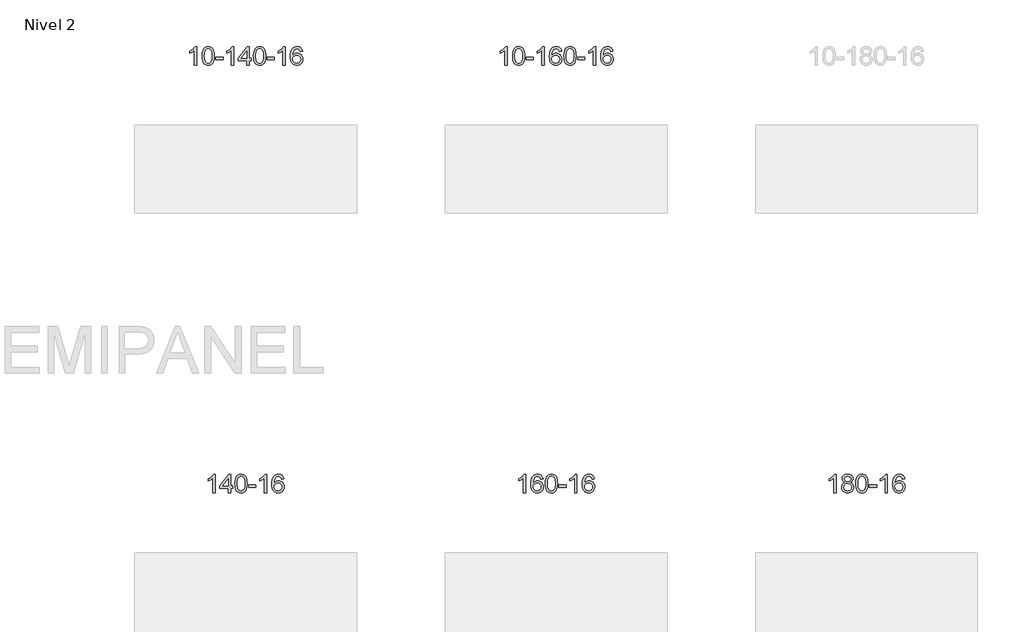
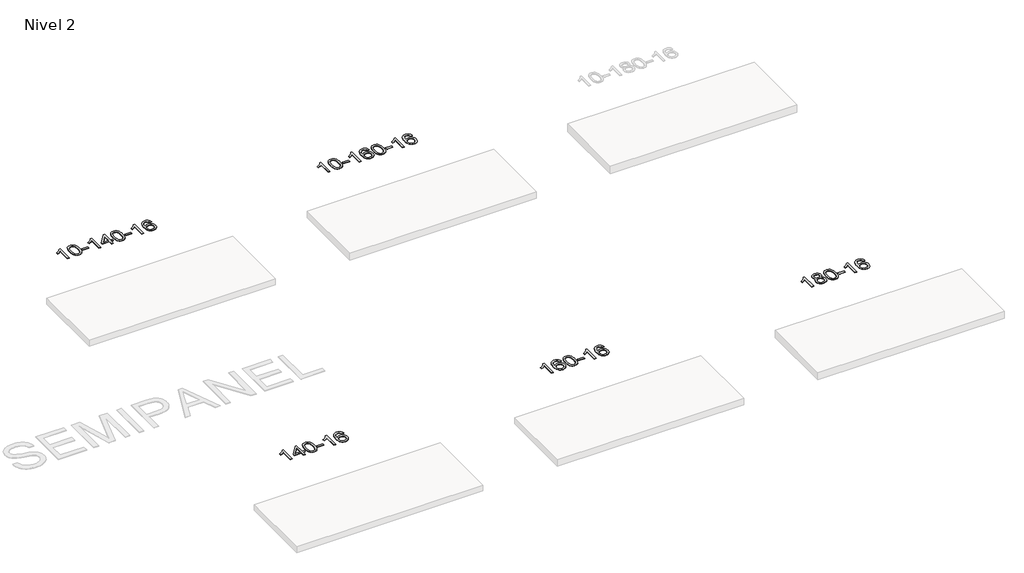
# One storey, part 34 of 51: 5 proxies.
"""IFC4 building model written with IfcOpenShell, lengths in millimetres."""

from ifc_helpers import new_model, si_unit, frame, origin, place, context, project, spatial, polyline, outline, extrude, element, save

model = new_model("IFC4")

# Units and contexts
model_context = context("Model", 3, world=origin())
ifc_project = project(units=[si_unit("LENGTHUNIT", "METRE", prefix="MILLI")], contexts=[model_context])

# Site, building, storey
site = spatial("IfcSite", under=ifc_project)
building = spatial("IfcBuilding", under=site)
storey = spatial("IfcBuildingStorey", under=building, Name="Nivel 2", Elevation=3000.0)

# Proxies
placement = place(None, origin())
element("IfcBuildingElementProxy", 1, Name="Texto de modelo 1", ObjectType="Texto de modelo 1", at=placement, inside=storey, context=model_context, shape_type="SweptSolid", body=[
    extrude(outline(polyline([(31530.5538842, -86347.0667526), (31480.3257291, -86347.0667526), (31480.3257291, -86033.9255983), (31459.3564554, -86050.8849583), (31432.7463244, -86067.8197928), (31379.869419, -86093.179125), (31379.869419, -86045.6978222), (31419.3186316, -86024.2380391), (31453.494869, -85998.7070287), (31480.4360937, -85971.5573374), (31498.1802686, -85945.241512), (31530.5538842, -85945.241512), (31530.5538842, -86347.0667526)])), frame((0.0, 0.0, 3000.0), z_axis=(0.0, 0.0, 1.0), x_axis=(1.0, 0.0, 0.0)), (0.0, 0.0, 1.0), 10.0),
    extrude(outline(polyline([(31649.8457525, -86149.3914939), (31653.5368352, -86085.0734584), (31664.6100833, -86033.7784455), (31682.9551321, -85994.7216404), (31694.8131951, -85979.4882601), (31708.4616171, -85967.118228), (31723.9463834, -85957.5471648), (31741.3134792, -85950.710691), (31781.6946596, -85945.241512), (31812.6457981, -85948.4788736), (31840.3595751, -85958.1909583), (31863.5361408, -85973.9976213), (31880.8756455, -85995.518718), (31893.9722445, -86022.5703074), (31904.4200932, -86054.9684485), (31911.2626983, -86096.1099183), (31913.5435667, -86149.3914939), (31909.8892722, -86213.3416474), (31898.9263887, -86264.5140329), (31880.6917045, -86303.6076263), (31868.8612327, -86318.8869918), (31855.2220077, -86331.3214032), (31839.7188473, -86340.9568458), (31822.2965691, -86347.8393048), (31781.6946596, -86353.345272), (31754.0299335, -86350.9540391), (31729.5044672, -86343.7803401), (31708.1182605, -86331.8241753), (31689.8713136, -86315.0855445), (31672.3601306, -86284.8272504), (31659.8521428, -86247.1254773), (31652.3473501, -86201.9802251), (31649.8457525, -86149.3914939)]), holes=[polyline([(31700.0739076, -86149.293392), (31701.5454356, -86192.9579192), (31705.9600195, -86228.3021819), (31713.3176594, -86255.3261801), (31723.6183553, -86274.0299139), (31736.0772922, -86286.7555652), (31749.9096552, -86295.8453162), (31765.1154443, -86301.2991668), (31781.6946596, -86303.1171169), (31798.2738748, -86301.2930354), (31813.479664, -86295.8207907), (31827.312027, -86286.7003829), (31839.7709639, -86273.931812), (31850.0716598, -86255.1974214), (31857.4292997, -86228.1795545), (31861.8438836, -86192.8782114), (31863.3154116, -86149.293392), (31861.8929345, -86106.7846275), (31857.6255034, -86072.0626985), (31850.5131181, -86045.1276051), (31840.5557788, -86025.9793472), (31828.3053084, -86012.6313622), (31814.3135298, -86003.0970871), (31798.5804432, -85997.3765221), (31781.1060484, -85995.4696671), (31764.6126723, -85997.1496616), (31749.6644005, -86002.1896449), (31736.2612332, -86010.5896171), (31724.4031702, -86022.3495782), (31713.7591178, -86043.1962246), (31706.1562232, -86071.3024091), (31701.5944865, -86106.6681315), (31700.0739076, -86149.293392)])]), frame((0.0, 0.0, 3000.0), z_axis=(0.0, 0.0, 1.0), x_axis=(1.0, 0.0, 0.0)), (0.0, 0.0, 1.0), 10.0),
    extrude(outline(polyline([(31944.9361636, -86227.7748843), (31944.9361636, -86177.5467293), (32101.8991482, -86177.5467293), (32101.8991482, -86227.7748843), (31944.9361636, -86227.7748843)])), frame((0.0, 0.0, 3000.0), z_axis=(0.0, 0.0, 1.0), x_axis=(1.0, 0.0, 0.0)), (0.0, 0.0, 1.0), 10.0),
    extrude(outline(polyline([(32334.2043654, -86347.0667526), (32283.9762103, -86347.0667526), (32283.9762103, -86033.9255983), (32263.0069366, -86050.8849583), (32236.3968056, -86067.8197928), (32183.5199002, -86093.179125), (32183.5199002, -86045.6978222), (32222.9691128, -86024.2380391), (32257.1453502, -85998.7070287), (32284.0865749, -85971.5573374), (32301.8307498, -85945.241512), (32334.2043654, -85945.241512), (32334.2043654, -86347.0667526)])), frame((0.0, 0.0, 3000.0), z_axis=(0.0, 0.0, 1.0), x_axis=(1.0, 0.0, 0.0)), (0.0, 0.0, 1.0), 10.0),
    extrude(outline(polyline([(32616.7377377, -86347.0667526), (32616.7377377, -86252.8889619), (32434.6606756, -86252.8889619), (32434.6606756, -86202.6608068), (32629.2947765, -85951.5200314), (32666.9658928, -85951.5200314), (32666.9658928, -86202.6608068), (32717.1940479, -86202.6608068), (32717.1940479, -86252.8889619), (32666.9658928, -86252.8889619), (32666.9658928, -86347.0667526), (32616.7377377, -86347.0667526)]), holes=[polyline([(32616.7377377, -86202.6608068), (32616.7377377, -86047.4636558), (32496.4648507, -86202.6608068), (32616.7377377, -86202.6608068)])]), frame((0.0, 0.0, 3000.0), z_axis=(0.0, 0.0, 1.0), x_axis=(1.0, 0.0, 0.0)), (0.0, 0.0, 1.0), 10.0),
    extrude(outline(polyline([(32761.1436835, -86149.3914939), (32764.8347662, -86085.0734584), (32775.9080143, -86033.7784455), (32794.2530631, -85994.7216404), (32806.1111261, -85979.4882601), (32819.7595481, -85967.118228), (32835.2443144, -85957.5471648), (32852.6114103, -85950.710691), (32892.9925906, -85945.241512), (32923.9437291, -85948.4788736), (32951.6575061, -85958.1909583), (32974.8340718, -85973.9976213), (32992.1735765, -85995.518718), (33005.2701755, -86022.5703074), (33015.7180242, -86054.9684485), (33022.5606293, -86096.1099183), (33024.8414977, -86149.3914939), (33021.1872032, -86213.3416474), (33010.2243197, -86264.5140329), (32991.9896355, -86303.6076263), (32980.1591637, -86318.8869918), (32966.5199387, -86331.3214032), (32951.0167783, -86340.9568458), (32933.5945001, -86347.8393048), (32892.9925906, -86353.345272), (32865.3278646, -86350.9540391), (32840.8023982, -86343.7803401), (32819.4161916, -86331.8241753), (32801.1692446, -86315.0855445), (32783.6580616, -86284.8272504), (32771.1500738, -86247.1254773), (32763.6452811, -86201.9802251), (32761.1436835, -86149.3914939)]), holes=[polyline([(32811.3718386, -86149.293392), (32812.8433666, -86192.9579192), (32817.2579505, -86228.3021819), (32824.6155904, -86255.3261801), (32834.9162863, -86274.0299139), (32847.3752232, -86286.7555652), (32861.2075862, -86295.8453162), (32876.4133754, -86301.2991668), (32892.9925906, -86303.1171169), (32909.5718059, -86301.2930354), (32924.777595, -86295.8207907), (32938.609958, -86286.7003829), (32951.0688949, -86273.931812), (32961.3695908, -86255.1974214), (32968.7272307, -86228.1795545), (32973.1418146, -86192.8782114), (32974.6133426, -86149.293392), (32973.1908656, -86106.7846275), (32968.9234344, -86072.0626985), (32961.8110492, -86045.1276051), (32951.8537098, -86025.9793472), (32939.6032394, -86012.6313622), (32925.6114609, -86003.0970871), (32909.8783742, -85997.3765221), (32892.4039794, -85995.4696671), (32875.9106033, -85997.1496616), (32860.9623316, -86002.1896449), (32847.5591642, -86010.5896171), (32835.7011012, -86022.3495782), (32825.0570488, -86043.1962246), (32817.4541543, -86071.3024091), (32812.8924175, -86106.6681315), (32811.3718386, -86149.293392)])]), frame((0.0, 0.0, 3000.0), z_axis=(0.0, 0.0, 1.0), x_axis=(1.0, 0.0, 0.0)), (0.0, 0.0, 1.0), 10.0),
    extrude(outline(polyline([(33056.2340946, -86227.7748843), (33056.2340946, -86177.5467293), (33213.1970792, -86177.5467293), (33213.1970792, -86227.7748843), (33056.2340946, -86227.7748843)])), frame((0.0, 0.0, 3000.0), z_axis=(0.0, 0.0, 1.0), x_axis=(1.0, 0.0, 0.0)), (0.0, 0.0, 1.0), 10.0),
    extrude(outline(polyline([(33445.5022964, -86347.0667526), (33395.2741414, -86347.0667526), (33395.2741414, -86033.9255983), (33374.3048676, -86050.8849583), (33347.6947367, -86067.8197928), (33294.8178312, -86093.179125), (33294.8178312, -86045.6978222), (33334.2670438, -86024.2380391), (33368.4432812, -85998.7070287), (33395.384506, -85971.5573374), (33413.1286809, -85945.241512), (33445.5022964, -85945.241512), (33445.5022964, -86347.0667526)])), frame((0.0, 0.0, 3000.0), z_axis=(0.0, 0.0, 1.0), x_axis=(1.0, 0.0, 0.0)), (0.0, 0.0, 1.0), 10.0),
    extrude(outline(polyline([(33822.2134595, -86051.9763416), (33771.9853044, -86058.254861), (33763.8919005, -86033.3615126), (33752.9535425, -86016.3653644), (33730.1693843, -86000.6935914), (33702.6272856, -85995.4696671), (33679.2790416, -85998.5108249), (33657.3042238, -86007.6342984), (33638.4318774, -86026.8500013), (33623.0176218, -86053.3007168), (33612.6065614, -86090.7143157), (33608.7438004, -86142.8186689), (33628.891471, -86119.3110094), (33653.0367927, -86102.7440569), (33679.8308646, -86092.9216076), (33707.9247863, -86089.6474579), (33732.0578452, -86091.8854067), (33754.3269687, -86098.5992531), (33774.7321567, -86109.7889971), (33793.2734092, -86125.4546387), (33808.6815334, -86144.6642103), (33819.6873365, -86166.4857439), (33826.2908183, -86190.9192398), (33828.4919789, -86217.9646978), (33824.3471751, -86253.9312942), (33811.9127636, -86287.2736657), (33792.2188142, -86315.5515284), (33766.2953962, -86336.3245984), (33735.3197322, -86349.0901036), (33700.4690446, -86353.345272), (33670.5265158, -86350.5248434), (33643.4841235, -86342.0635575), (33619.3418676, -86327.9614144), (33598.099748, -86308.2184139), (33580.7817031, -86282.0006904), (33568.411671, -86248.4743779), (33560.9896518, -86207.6394765), (33558.5156454, -86159.495986), (33561.2624976, -86105.521566), (33569.5030543, -86059.4566088), (33583.2373154, -86021.3011145), (33602.465281, -85991.0550832), (33623.3057961, -85971.0116458), (33647.4695118, -85956.6949048), (33674.9564282, -85948.1048602), (33705.7665453, -85945.241512), (33728.9001914, -85947.013477), (33749.8388083, -85952.3293718), (33768.582396, -85961.1891965), (33785.1309544, -85973.5929511), (33799.0368938, -85989.1237027), (33809.8526245, -86007.3645183), (33817.5781464, -86028.3153979), (33822.2134595, -86051.9763416)]), holes=[polyline([(33608.7438004, -86217.1798829), (33611.6500682, -86239.4367436), (33620.3688715, -86260.6880602), (33633.9069289, -86278.9595326), (33651.2709591, -86292.2768608), (33672.2279701, -86300.4070529), (33696.5449699, -86303.1171169), (33729.6911377, -86297.5007852), (33743.6062742, -86290.4803704), (33755.7494457, -86280.6517898), (33765.5994861, -86268.4135821), (33772.6352293, -86254.1642861), (33778.2638238, -86219.6324295), (33772.7088057, -86186.4862617), (33765.765033, -86172.8654309), (33756.0437513, -86161.2127687), (33743.8637916, -86151.877763), (33729.5439849, -86145.2099019), (33694.4848308, -86139.875613), (33661.3877139, -86145.2099019), (33633.7107252, -86161.2127687), (33622.7876956, -86172.7121467), (33614.9855316, -86185.8731251), (33610.3042332, -86200.6957038), (33608.7438004, -86217.1798829)])]), frame((0.0, 0.0, 3000.0), z_axis=(0.0, 0.0, 1.0), x_axis=(1.0, 0.0, 0.0)), (0.0, 0.0, 1.0), 10.0),
])
element("IfcBuildingElementProxy", 2, Name="Texto de modelo 1", ObjectType="Texto de modelo 1", at=placement, inside=storey, context=model_context, shape_type="SweptSolid", body=[
    extrude(outline(polyline([(38245.494419, -86347.0667526), (38195.266264, -86347.0667526), (38195.266264, -86033.9255983), (38174.2969902, -86050.8849583), (38147.6868593, -86067.8197928), (38094.8099538, -86093.179125), (38094.8099538, -86045.6978222), (38134.2591664, -86024.2380391), (38168.4354038, -85998.7070287), (38195.3766286, -85971.5573374), (38213.1208035, -85945.241512), (38245.494419, -85945.241512), (38245.494419, -86347.0667526)])), frame((0.0, 0.0, 3000.0), z_axis=(0.0, 0.0, 1.0), x_axis=(1.0, 0.0, 0.0)), (0.0, 0.0, 1.0), 10.0),
    extrude(outline(polyline([(38364.7862873, -86149.3914939), (38368.47737, -86085.0734584), (38379.5506181, -86033.7784455), (38397.8956669, -85994.7216404), (38409.7537299, -85979.4882601), (38423.4021519, -85967.118228), (38438.8869182, -85957.5471648), (38456.2540141, -85950.710691), (38496.6351944, -85945.241512), (38527.5863329, -85948.4788736), (38555.3001099, -85958.1909583), (38578.4766756, -85973.9976213), (38595.8161803, -85995.518718), (38608.9127793, -86022.5703074), (38619.360628, -86054.9684485), (38626.2032331, -86096.1099183), (38628.4841015, -86149.3914939), (38624.829807, -86213.3416474), (38613.8669235, -86264.5140329), (38595.6322393, -86303.6076263), (38583.8017675, -86318.8869918), (38570.1625425, -86331.3214032), (38554.6593821, -86340.9568458), (38537.2371039, -86347.8393048), (38496.6351944, -86353.345272), (38468.9704684, -86350.9540391), (38444.445002, -86343.7803401), (38423.0587954, -86331.8241753), (38404.8118484, -86315.0855445), (38387.3006654, -86284.8272504), (38374.7926776, -86247.1254773), (38367.2878849, -86201.9802251), (38364.7862873, -86149.3914939)]), holes=[polyline([(38415.0144424, -86149.293392), (38416.4859704, -86192.9579192), (38420.9005543, -86228.3021819), (38428.2581942, -86255.3261801), (38438.5588901, -86274.0299139), (38451.017827, -86286.7555652), (38464.85019, -86295.8453162), (38480.0559792, -86301.2991668), (38496.6351944, -86303.1171169), (38513.2144097, -86301.2930354), (38528.4201988, -86295.8207907), (38542.2525618, -86286.7003829), (38554.7114987, -86273.931812), (38565.0121946, -86255.1974214), (38572.3698345, -86228.1795545), (38576.7844184, -86192.8782114), (38578.2559464, -86149.293392), (38576.8334694, -86106.7846275), (38572.5660382, -86072.0626985), (38565.453653, -86045.1276051), (38555.4963136, -86025.9793472), (38543.2458432, -86012.6313622), (38529.2540646, -86003.0970871), (38513.520978, -85997.3765221), (38496.0465832, -85995.4696671), (38479.5532071, -85997.1496616), (38464.6049354, -86002.1896449), (38451.201768, -86010.5896171), (38439.343705, -86022.3495782), (38428.6996526, -86043.1962246), (38421.0967581, -86071.3024091), (38416.5350213, -86106.6681315), (38415.0144424, -86149.293392)])]), frame((0.0, 0.0, 3000.0), z_axis=(0.0, 0.0, 1.0), x_axis=(1.0, 0.0, 0.0)), (0.0, 0.0, 1.0), 10.0),
    extrude(outline(polyline([(38659.8766984, -86227.7748843), (38659.8766984, -86177.5467293), (38816.839683, -86177.5467293), (38816.839683, -86227.7748843), (38659.8766984, -86227.7748843)])), frame((0.0, 0.0, 3000.0), z_axis=(0.0, 0.0, 1.0), x_axis=(1.0, 0.0, 0.0)), (0.0, 0.0, 1.0), 10.0),
    extrude(outline(polyline([(39049.1449002, -86347.0667526), (38998.9167452, -86347.0667526), (38998.9167452, -86033.9255983), (38977.9474714, -86050.8849583), (38951.3373404, -86067.8197928), (38898.460435, -86093.179125), (38898.460435, -86045.6978222), (38937.9096476, -86024.2380391), (38972.085885, -85998.7070287), (38999.0271098, -85971.5573374), (39016.7712847, -85945.241512), (39049.1449002, -85945.241512), (39049.1449002, -86347.0667526)])), frame((0.0, 0.0, 3000.0), z_axis=(0.0, 0.0, 1.0), x_axis=(1.0, 0.0, 0.0)), (0.0, 0.0, 1.0), 10.0),
    extrude(outline(polyline([(39425.8560633, -86051.9763416), (39375.6279082, -86058.254861), (39367.5345043, -86033.3615126), (39356.5961463, -86016.3653644), (39333.8119881, -86000.6935914), (39306.2698894, -85995.4696671), (39282.9216454, -85998.5108249), (39260.9468276, -86007.6342984), (39242.0744812, -86026.8500013), (39226.6602256, -86053.3007168), (39216.2491652, -86090.7143157), (39212.3864042, -86142.8186689), (39232.5340748, -86119.3110094), (39256.6793964, -86102.7440569), (39283.4734684, -86092.9216076), (39311.5673901, -86089.6474579), (39335.700449, -86091.8854067), (39357.9695725, -86098.5992531), (39378.3747604, -86109.7889971), (39396.916013, -86125.4546387), (39412.3241372, -86144.6642103), (39423.3299403, -86166.4857439), (39429.9334221, -86190.9192398), (39432.1345827, -86217.9646978), (39427.9897789, -86253.9312942), (39415.5553674, -86287.2736657), (39395.861418, -86315.5515284), (39369.938, -86336.3245984), (39338.962336, -86349.0901036), (39304.1116484, -86353.345272), (39274.1691196, -86350.5248434), (39247.1267273, -86342.0635575), (39222.9844714, -86327.9614144), (39201.7423518, -86308.2184139), (39184.4243069, -86282.0006904), (39172.0542748, -86248.4743779), (39164.6322556, -86207.6394765), (39162.1582492, -86159.495986), (39164.9051014, -86105.521566), (39173.1456581, -86059.4566088), (39186.8799192, -86021.3011145), (39206.1078848, -85991.0550832), (39226.9483999, -85971.0116458), (39251.1121156, -85956.6949048), (39278.599032, -85948.1048602), (39309.4091491, -85945.241512), (39332.5427952, -85947.013477), (39353.4814121, -85952.3293718), (39372.2249998, -85961.1891965), (39388.7735582, -85973.5929511), (39402.6794976, -85989.1237027), (39413.4952283, -86007.3645183), (39421.2207502, -86028.3153979), (39425.8560633, -86051.9763416)]), holes=[polyline([(39212.3864042, -86217.1798829), (39215.292672, -86239.4367436), (39224.0114753, -86260.6880602), (39237.5495327, -86278.9595326), (39254.9135629, -86292.2768608), (39275.8705739, -86300.4070529), (39300.1875737, -86303.1171169), (39333.3337415, -86297.5007852), (39347.248878, -86290.4803704), (39359.3920495, -86280.6517898), (39369.2420899, -86268.4135821), (39376.2778331, -86254.1642861), (39381.9064276, -86219.6324295), (39376.3514095, -86186.4862617), (39369.4076368, -86172.8654309), (39359.6863551, -86161.2127687), (39347.5063954, -86151.877763), (39333.1865887, -86145.2099019), (39298.1274346, -86139.875613), (39265.0303177, -86145.2099019), (39237.353329, -86161.2127687), (39226.4302994, -86172.7121467), (39218.6281354, -86185.8731251), (39213.946837, -86200.6957038), (39212.3864042, -86217.1798829)])]), frame((0.0, 0.0, 3000.0), z_axis=(0.0, 0.0, 1.0), x_axis=(1.0, 0.0, 0.0)), (0.0, 0.0, 1.0), 10.0),
    extrude(outline(polyline([(39476.0842184, -86149.3914939), (39479.7753011, -86085.0734584), (39490.8485491, -86033.7784455), (39509.1935979, -85994.7216404), (39521.0516609, -85979.4882601), (39534.7000829, -85967.118228), (39550.1848492, -85957.5471648), (39567.5519451, -85950.710691), (39607.9331254, -85945.241512), (39638.884264, -85948.4788736), (39666.5980409, -85958.1909583), (39689.7746066, -85973.9976213), (39707.1141113, -85995.518718), (39720.2107104, -86022.5703074), (39730.658559, -86054.9684485), (39737.5011641, -86096.1099183), (39739.7820325, -86149.3914939), (39736.127738, -86213.3416474), (39725.1648546, -86264.5140329), (39706.9301703, -86303.6076263), (39695.0996985, -86318.8869918), (39681.4604735, -86331.3214032), (39665.9573131, -86340.9568458), (39648.535035, -86347.8393048), (39607.9331254, -86353.345272), (39580.2683994, -86350.9540391), (39555.7429331, -86343.7803401), (39534.3567264, -86331.8241753), (39516.1097794, -86315.0855445), (39498.5985965, -86284.8272504), (39486.0906086, -86247.1254773), (39478.5858159, -86201.9802251), (39476.0842184, -86149.3914939)]), holes=[polyline([(39526.3123734, -86149.293392), (39527.7839014, -86192.9579192), (39532.1984854, -86228.3021819), (39539.5561253, -86255.3261801), (39549.8568211, -86274.0299139), (39562.315758, -86286.7555652), (39576.1481211, -86295.8453162), (39591.3539102, -86301.2991668), (39607.9331254, -86303.1171169), (39624.5123407, -86301.2930354), (39639.7181298, -86295.8207907), (39653.5504928, -86286.7003829), (39666.0094297, -86273.931812), (39676.3101256, -86255.1974214), (39683.6677655, -86228.1795545), (39688.0823495, -86192.8782114), (39689.5538774, -86149.293392), (39688.1314004, -86106.7846275), (39683.8639692, -86072.0626985), (39676.751584, -86045.1276051), (39666.7942447, -86025.9793472), (39654.5437742, -86012.6313622), (39640.5519957, -86003.0970871), (39624.818909, -85997.3765221), (39607.3445142, -85995.4696671), (39590.8511381, -85997.1496616), (39575.9028664, -86002.1896449), (39562.499699, -86010.5896171), (39550.6416361, -86022.3495782), (39539.9975837, -86043.1962246), (39532.3946891, -86071.3024091), (39527.8329524, -86106.6681315), (39526.3123734, -86149.293392)])]), frame((0.0, 0.0, 3000.0), z_axis=(0.0, 0.0, 1.0), x_axis=(1.0, 0.0, 0.0)), (0.0, 0.0, 1.0), 10.0),
    extrude(outline(polyline([(39771.1746294, -86227.7748843), (39771.1746294, -86177.5467293), (39928.137614, -86177.5467293), (39928.137614, -86227.7748843), (39771.1746294, -86227.7748843)])), frame((0.0, 0.0, 3000.0), z_axis=(0.0, 0.0, 1.0), x_axis=(1.0, 0.0, 0.0)), (0.0, 0.0, 1.0), 10.0),
    extrude(outline(polyline([(40160.4428313, -86347.0667526), (40110.2146762, -86347.0667526), (40110.2146762, -86033.9255983), (40089.2454025, -86050.8849583), (40062.6352715, -86067.8197928), (40009.758366, -86093.179125), (40009.758366, -86045.6978222), (40049.2075787, -86024.2380391), (40083.383816, -85998.7070287), (40110.3250408, -85971.5573374), (40128.0692157, -85945.241512), (40160.4428313, -85945.241512), (40160.4428313, -86347.0667526)])), frame((0.0, 0.0, 3000.0), z_axis=(0.0, 0.0, 1.0), x_axis=(1.0, 0.0, 0.0)), (0.0, 0.0, 1.0), 10.0),
    extrude(outline(polyline([(40537.1539943, -86051.9763416), (40486.9258392, -86058.254861), (40478.8324354, -86033.3615126), (40467.8940774, -86016.3653644), (40445.1099191, -86000.6935914), (40417.5678204, -85995.4696671), (40394.2195765, -85998.5108249), (40372.2447586, -86007.6342984), (40353.3724123, -86026.8500013), (40337.9581567, -86053.3007168), (40327.5470962, -86090.7143157), (40323.6843353, -86142.8186689), (40343.8320059, -86119.3110094), (40367.9773275, -86102.7440569), (40394.7713995, -86092.9216076), (40422.8653212, -86089.6474579), (40446.99838, -86091.8854067), (40469.2675035, -86098.5992531), (40489.6726915, -86109.7889971), (40508.213944, -86125.4546387), (40523.6220683, -86144.6642103), (40534.6278713, -86166.4857439), (40541.2313531, -86190.9192398), (40543.4325137, -86217.9646978), (40539.2877099, -86253.9312942), (40526.8532985, -86287.2736657), (40507.159349, -86315.5515284), (40481.2359311, -86336.3245984), (40450.2602671, -86349.0901036), (40415.4095794, -86353.345272), (40385.4670507, -86350.5248434), (40358.4246583, -86342.0635575), (40334.2824024, -86327.9614144), (40313.0402829, -86308.2184139), (40295.7222379, -86282.0006904), (40283.3522059, -86248.4743779), (40275.9301866, -86207.6394765), (40273.4561802, -86159.495986), (40276.2030324, -86105.521566), (40284.4435891, -86059.4566088), (40298.1778503, -86021.3011145), (40317.4058159, -85991.0550832), (40338.2463309, -85971.0116458), (40362.4100466, -85956.6949048), (40389.896963, -85948.1048602), (40420.7070801, -85945.241512), (40443.8407262, -85947.013477), (40464.7793431, -85952.3293718), (40483.5229308, -85961.1891965), (40500.0714892, -85973.5929511), (40513.9774286, -85989.1237027), (40524.7931593, -86007.3645183), (40532.5186812, -86028.3153979), (40537.1539943, -86051.9763416)]), holes=[polyline([(40323.6843353, -86217.1798829), (40326.590603, -86239.4367436), (40335.3094063, -86260.6880602), (40348.8474637, -86278.9595326), (40366.2114939, -86292.2768608), (40387.1685049, -86300.4070529), (40411.4855048, -86303.1171169), (40444.6316725, -86297.5007852), (40458.546809, -86290.4803704), (40470.6899805, -86280.6517898), (40480.5400209, -86268.4135821), (40487.5757641, -86254.1642861), (40493.2043586, -86219.6324295), (40487.6493405, -86186.4862617), (40480.7055678, -86172.8654309), (40470.9842861, -86161.2127687), (40458.8043264, -86151.877763), (40444.4845197, -86145.2099019), (40409.4253656, -86139.875613), (40376.3282488, -86145.2099019), (40348.65126, -86161.2127687), (40337.7282304, -86172.7121467), (40329.9260664, -86185.8731251), (40325.2447681, -86200.6957038), (40323.6843353, -86217.1798829)])]), frame((0.0, 0.0, 3000.0), z_axis=(0.0, 0.0, 1.0), x_axis=(1.0, 0.0, 0.0)), (0.0, 0.0, 1.0), 10.0),
])
element("IfcBuildingElementProxy", 3, Name="Texto de modelo 1", ObjectType="Texto de modelo 1", at=placement, inside=storey, context=model_context, shape_type="SweptSolid", body=[
    extrude(outline(polyline([(31932.3791248, -95605.4474555), (31882.1509697, -95605.4474555), (31882.1509697, -95292.3063012), (31861.181696, -95309.2656612), (31834.571565, -95326.2004957), (31781.6946596, -95351.5598279), (31781.6946596, -95304.0785251), (31821.1438722, -95282.618742), (31855.3201096, -95257.0877316), (31882.2613343, -95229.9380403), (31900.0055092, -95203.6222149), (31932.3791248, -95203.6222149), (31932.3791248, -95605.4474555)])), frame((0.0, 0.0, 3000.0), z_axis=(0.0, 0.0, 1.0), x_axis=(1.0, 0.0, 0.0)), (0.0, 0.0, 1.0), 10.0),
    extrude(outline(polyline([(32214.9124971, -95605.4474555), (32214.9124971, -95511.2696648), (32032.835435, -95511.2696648), (32032.835435, -95461.0415097), (32227.4695359, -95209.9007343), (32265.1406522, -95209.9007343), (32265.1406522, -95461.0415097), (32315.3688073, -95461.0415097), (32315.3688073, -95511.2696648), (32265.1406522, -95511.2696648), (32265.1406522, -95605.4474555), (32214.9124971, -95605.4474555)]), holes=[polyline([(32214.9124971, -95461.0415097), (32214.9124971, -95305.8443587), (32094.6396101, -95461.0415097), (32214.9124971, -95461.0415097)])]), frame((0.0, 0.0, 3000.0), z_axis=(0.0, 0.0, 1.0), x_axis=(1.0, 0.0, 0.0)), (0.0, 0.0, 1.0), 10.0),
    extrude(outline(polyline([(32359.3184429, -95407.7721968), (32363.0095256, -95343.4541613), (32374.0827737, -95292.1591484), (32392.4278225, -95253.1023433), (32404.2858855, -95237.868963), (32417.9343075, -95225.4989309), (32433.4190738, -95215.9278677), (32450.7861697, -95209.0913939), (32491.16735, -95203.6222149), (32522.1184885, -95206.8595765), (32549.8322655, -95216.5716612), (32573.0088312, -95232.3783242), (32590.3483359, -95253.8994209), (32603.4449349, -95280.9510103), (32613.8927836, -95313.3491514), (32620.7353887, -95354.4906212), (32623.0162571, -95407.7721968), (32619.3619626, -95471.7223503), (32608.3990791, -95522.8947358), (32590.1643949, -95561.9883292), (32578.3339231, -95577.2676947), (32564.6946981, -95589.7021061), (32549.1915377, -95599.3375487), (32531.7692596, -95606.2200077), (32491.16735, -95611.7259749), (32463.502624, -95609.334742), (32438.9771576, -95602.161043), (32417.590951, -95590.2048782), (32399.344004, -95573.4662474), (32381.8328211, -95543.2079533), (32369.3248332, -95505.5061802), (32361.8200405, -95460.360928), (32359.3184429, -95407.7721968)]), holes=[polyline([(32409.546598, -95407.6740949), (32411.018126, -95451.3386221), (32415.4327099, -95486.6828848), (32422.7903498, -95513.706883), (32433.0910457, -95532.4106168), (32445.5499826, -95545.1362681), (32459.3823456, -95554.2260191), (32474.5881348, -95559.6798697), (32491.16735, -95561.4978198), (32507.7465653, -95559.6737383), (32522.9523544, -95554.2014936), (32536.7847174, -95545.0810858), (32549.2436543, -95532.3125149), (32559.5443502, -95513.5781243), (32566.9019901, -95486.5602574), (32571.316574, -95451.2589143), (32572.788102, -95407.6740949), (32571.365625, -95365.1653304), (32567.0981938, -95330.4434014), (32559.9858086, -95303.508308), (32550.0284692, -95284.3600501), (32537.7779988, -95271.0120651), (32523.7862203, -95261.47779), (32508.0531336, -95255.757225), (32490.5787388, -95253.85037), (32474.0853627, -95255.5303645), (32459.137091, -95260.5703478), (32445.7339236, -95268.97032), (32433.8758606, -95280.7302811), (32423.2318082, -95301.5769275), (32415.6289137, -95329.683112), (32411.0671769, -95365.0488344), (32409.546598, -95407.6740949)])]), frame((0.0, 0.0, 3000.0), z_axis=(0.0, 0.0, 1.0), x_axis=(1.0, 0.0, 0.0)), (0.0, 0.0, 1.0), 10.0),
    extrude(outline(polyline([(32654.408854, -95486.1555872), (32654.408854, -95435.9274322), (32811.3718386, -95435.9274322), (32811.3718386, -95486.1555872), (32654.408854, -95486.1555872)])), frame((0.0, 0.0, 3000.0), z_axis=(0.0, 0.0, 1.0), x_axis=(1.0, 0.0, 0.0)), (0.0, 0.0, 1.0), 10.0),
    extrude(outline(polyline([(33043.6770558, -95605.4474555), (32993.4489008, -95605.4474555), (32993.4489008, -95292.3063012), (32972.479627, -95309.2656612), (32945.8694961, -95326.2004957), (32892.9925906, -95351.5598279), (32892.9925906, -95304.0785251), (32932.4418032, -95282.618742), (32966.6180406, -95257.0877316), (32993.5592654, -95229.9380403), (33011.3034403, -95203.6222149), (33043.6770558, -95203.6222149), (33043.6770558, -95605.4474555)])), frame((0.0, 0.0, 3000.0), z_axis=(0.0, 0.0, 1.0), x_axis=(1.0, 0.0, 0.0)), (0.0, 0.0, 1.0), 10.0),
    extrude(outline(polyline([(33420.3882189, -95310.3570445), (33370.1600638, -95316.6355639), (33362.0666599, -95291.7422155), (33351.1283019, -95274.7460673), (33328.3441437, -95259.0742943), (33300.802045, -95253.85037), (33277.453801, -95256.8915278), (33255.4789832, -95266.0150013), (33236.6066368, -95285.2307042), (33221.1923812, -95311.6814197), (33210.7813208, -95349.0950186), (33206.9185598, -95401.1993718), (33227.0662304, -95377.6917123), (33251.2115521, -95361.1247598), (33278.005624, -95351.3023105), (33306.0995457, -95348.0281608), (33330.2326046, -95350.2661096), (33352.5017281, -95356.979956), (33372.9069161, -95368.1697), (33391.4481686, -95383.8353416), (33406.8562928, -95403.0449132), (33417.8620959, -95424.8664468), (33424.4655777, -95449.2999427), (33426.6667383, -95476.3454007), (33422.5219345, -95512.3119971), (33410.087523, -95545.6543686), (33390.3935736, -95573.9322313), (33364.4701556, -95594.7053013), (33333.4944916, -95607.4708065), (33298.643804, -95611.7259749), (33268.7012752, -95608.9055463), (33241.6588829, -95600.4442604), (33217.516627, -95586.3421173), (33196.2745074, -95566.5991168), (33178.9564625, -95540.3813933), (33166.5864304, -95506.8550808), (33159.1644112, -95466.0201794), (33156.6904048, -95417.8766889), (33159.437257, -95363.9022689), (33167.6778137, -95317.8373117), (33181.4120748, -95279.6818174), (33200.6400404, -95249.4357861), (33221.4805555, -95229.3923487), (33245.6442712, -95215.0756077), (33273.1311876, -95206.4855631), (33303.9413047, -95203.6222149), (33327.0749508, -95205.3941799), (33348.0135677, -95210.7100747), (33366.7571554, -95219.5698994), (33383.3057138, -95231.973654), (33397.2116532, -95247.5044056), (33408.0273839, -95265.7452212), (33415.7529058, -95286.6961008), (33420.3882189, -95310.3570445)]), holes=[polyline([(33206.9185598, -95475.5605858), (33209.8248276, -95497.8174465), (33218.5436309, -95519.0687631), (33232.0816883, -95537.3402355), (33249.4457185, -95550.6575637), (33270.4027295, -95558.7877558), (33294.7197293, -95561.4978198), (33327.8658971, -95555.8814881), (33341.7810336, -95548.8610733), (33353.9242051, -95539.0324927), (33363.7742455, -95526.794285), (33370.8099887, -95512.544989), (33376.4385832, -95478.0131324), (33370.8835651, -95444.8669646), (33363.9397924, -95431.2461338), (33354.2185107, -95419.5934716), (33342.038551, -95410.2584659), (33327.7187443, -95403.5906048), (33292.6595902, -95398.2563159), (33259.5624733, -95403.5906048), (33231.8854846, -95419.5934716), (33220.962455, -95431.0928496), (33213.160291, -95444.253828), (33208.4789926, -95459.0764067), (33206.9185598, -95475.5605858)])]), frame((0.0, 0.0, 3000.0), z_axis=(0.0, 0.0, 1.0), x_axis=(1.0, 0.0, 0.0)), (0.0, 0.0, 1.0), 10.0),
])
element("IfcBuildingElementProxy", 4, Name="Texto de modelo 1", ObjectType="Texto de modelo 1", at=placement, inside=storey, context=model_context, shape_type="SweptSolid", body=[
    extrude(outline(polyline([(38647.3196596, -95605.4474555), (38597.0915046, -95605.4474555), (38597.0915046, -95292.3063012), (38576.1222308, -95309.2656612), (38549.5120998, -95326.2004957), (38496.6351944, -95351.5598279), (38496.6351944, -95304.0785251), (38536.084407, -95282.618742), (38570.2606444, -95257.0877316), (38597.2018692, -95229.9380403), (38614.9460441, -95203.6222149), (38647.3196596, -95203.6222149), (38647.3196596, -95605.4474555)])), frame((0.0, 0.0, 3000.0), z_axis=(0.0, 0.0, 1.0), x_axis=(1.0, 0.0, 0.0)), (0.0, 0.0, 1.0), 10.0),
    extrude(outline(polyline([(39024.0308227, -95310.3570445), (38973.8026676, -95316.6355639), (38965.7092637, -95291.7422155), (38954.7709057, -95274.7460673), (38931.9867475, -95259.0742943), (38904.4446488, -95253.85037), (38881.0964048, -95256.8915278), (38859.121587, -95266.0150013), (38840.2492406, -95285.2307042), (38824.834985, -95311.6814197), (38814.4239246, -95349.0950186), (38810.5611636, -95401.1993718), (38830.7088342, -95377.6917123), (38854.8541558, -95361.1247598), (38881.6482278, -95351.3023105), (38909.7421495, -95348.0281608), (38933.8752084, -95350.2661096), (38956.1443319, -95356.979956), (38976.5495199, -95368.1697), (38995.0907724, -95383.8353416), (39010.4988966, -95403.0449132), (39021.5046997, -95424.8664468), (39028.1081815, -95449.2999427), (39030.3093421, -95476.3454007), (39026.1645383, -95512.3119971), (39013.7301268, -95545.6543686), (38994.0361774, -95573.9322313), (38968.1127594, -95594.7053013), (38937.1370954, -95607.4708065), (38902.2864078, -95611.7259749), (38872.343879, -95608.9055463), (38845.3014867, -95600.4442604), (38821.1592308, -95586.3421173), (38799.9171112, -95566.5991168), (38782.5990663, -95540.3813933), (38770.2290342, -95506.8550808), (38762.807015, -95466.0201794), (38760.3330086, -95417.8766889), (38763.0798608, -95363.9022689), (38771.3204175, -95317.8373117), (38785.0546786, -95279.6818174), (38804.2826442, -95249.4357861), (38825.1231593, -95229.3923487), (38849.286875, -95215.0756077), (38876.7737914, -95206.4855631), (38907.5839085, -95203.6222149), (38930.7175546, -95205.3941799), (38951.6561715, -95210.7100747), (38970.3997592, -95219.5698994), (38986.9483176, -95231.973654), (39000.854257, -95247.5044056), (39011.6699877, -95265.7452212), (39019.3955096, -95286.6961008), (39024.0308227, -95310.3570445)]), holes=[polyline([(38810.5611636, -95475.5605858), (38813.4674314, -95497.8174465), (38822.1862347, -95519.0687631), (38835.7242921, -95537.3402355), (38853.0883223, -95550.6575637), (38874.0453333, -95558.7877558), (38898.3623331, -95561.4978198), (38931.5085009, -95555.8814881), (38945.4236374, -95548.8610733), (38957.5668089, -95539.0324927), (38967.4168493, -95526.794285), (38974.4525925, -95512.544989), (38980.081187, -95478.0131324), (38974.5261689, -95444.8669646), (38967.5823962, -95431.2461338), (38957.8611145, -95419.5934716), (38945.6811548, -95410.2584659), (38931.3613481, -95403.5906048), (38896.302194, -95398.2563159), (38863.2050771, -95403.5906048), (38835.5280884, -95419.5934716), (38824.6050588, -95431.0928496), (38816.8028948, -95444.253828), (38812.1215964, -95459.0764067), (38810.5611636, -95475.5605858)])]), frame((0.0, 0.0, 3000.0), z_axis=(0.0, 0.0, 1.0), x_axis=(1.0, 0.0, 0.0)), (0.0, 0.0, 1.0), 10.0),
    extrude(outline(polyline([(39074.2589778, -95407.7721968), (39077.9500605, -95343.4541613), (39089.0233085, -95292.1591484), (39107.3683573, -95253.1023433), (39119.2264203, -95237.868963), (39132.8748423, -95225.4989309), (39148.3596086, -95215.9278677), (39165.7267045, -95209.0913939), (39206.1078848, -95203.6222149), (39237.0590234, -95206.8595765), (39264.7728003, -95216.5716612), (39287.949366, -95232.3783242), (39305.2888707, -95253.8994209), (39318.3854698, -95280.9510103), (39328.8333184, -95313.3491514), (39335.6759235, -95354.4906212), (39337.9567919, -95407.7721968), (39334.3024974, -95471.7223503), (39323.339614, -95522.8947358), (39305.1049297, -95561.9883292), (39293.2744579, -95577.2676947), (39279.6352329, -95589.7021061), (39264.1320725, -95599.3375487), (39246.7097944, -95606.2200077), (39206.1078848, -95611.7259749), (39178.4431588, -95609.334742), (39153.9176925, -95602.161043), (39132.5314858, -95590.2048782), (39114.2845388, -95573.4662474), (39096.7733559, -95543.2079533), (39084.265368, -95505.5061802), (39076.7605753, -95460.360928), (39074.2589778, -95407.7721968)]), holes=[polyline([(39124.4871328, -95407.6740949), (39125.9586608, -95451.3386221), (39130.3732448, -95486.6828848), (39137.7308847, -95513.706883), (39148.0315805, -95532.4106168), (39160.4905174, -95545.1362681), (39174.3228805, -95554.2260191), (39189.5286696, -95559.6798697), (39206.1078848, -95561.4978198), (39222.6871001, -95559.6737383), (39237.8928892, -95554.2014936), (39251.7252522, -95545.0810858), (39264.1841891, -95532.3125149), (39274.484885, -95513.5781243), (39281.8425249, -95486.5602574), (39286.2571089, -95451.2589143), (39287.7286368, -95407.6740949), (39286.3061598, -95365.1653304), (39282.0387286, -95330.4434014), (39274.9263434, -95303.508308), (39264.9690041, -95284.3600501), (39252.7185336, -95271.0120651), (39238.7267551, -95261.47779), (39222.9936684, -95255.757225), (39205.5192736, -95253.85037), (39189.0258975, -95255.5303645), (39174.0776258, -95260.5703478), (39160.6744584, -95268.97032), (39148.8163955, -95280.7302811), (39138.1723431, -95301.5769275), (39130.5694485, -95329.683112), (39126.0077118, -95365.0488344), (39124.4871328, -95407.6740949)])]), frame((0.0, 0.0, 3000.0), z_axis=(0.0, 0.0, 1.0), x_axis=(1.0, 0.0, 0.0)), (0.0, 0.0, 1.0), 10.0),
    extrude(outline(polyline([(39369.3493888, -95486.1555872), (39369.3493888, -95435.9274322), (39526.3123734, -95435.9274322), (39526.3123734, -95486.1555872), (39369.3493888, -95486.1555872)])), frame((0.0, 0.0, 3000.0), z_axis=(0.0, 0.0, 1.0), x_axis=(1.0, 0.0, 0.0)), (0.0, 0.0, 1.0), 10.0),
    extrude(outline(polyline([(39758.6175907, -95605.4474555), (39708.3894356, -95605.4474555), (39708.3894356, -95292.3063012), (39687.4201619, -95309.2656612), (39660.8100309, -95326.2004957), (39607.9331254, -95351.5598279), (39607.9331254, -95304.0785251), (39647.3823381, -95282.618742), (39681.5585754, -95257.0877316), (39708.4998002, -95229.9380403), (39726.2439751, -95203.6222149), (39758.6175907, -95203.6222149), (39758.6175907, -95605.4474555)])), frame((0.0, 0.0, 3000.0), z_axis=(0.0, 0.0, 1.0), x_axis=(1.0, 0.0, 0.0)), (0.0, 0.0, 1.0), 10.0),
    extrude(outline(polyline([(40135.3287537, -95310.3570445), (40085.1005987, -95316.6355639), (40077.0071948, -95291.7422155), (40066.0688368, -95274.7460673), (40043.2846785, -95259.0742943), (40015.7425798, -95253.85037), (39992.3943359, -95256.8915278), (39970.419518, -95266.0150013), (39951.5471717, -95285.2307042), (39936.1329161, -95311.6814197), (39925.7218556, -95349.0950186), (39921.8590947, -95401.1993718), (39942.0067653, -95377.6917123), (39966.1520869, -95361.1247598), (39992.9461589, -95351.3023105), (40021.0400806, -95348.0281608), (40045.1731394, -95350.2661096), (40067.4422629, -95356.979956), (40087.8474509, -95368.1697), (40106.3887034, -95383.8353416), (40121.7968277, -95403.0449132), (40132.8026307, -95424.8664468), (40139.4061125, -95449.2999427), (40141.6072731, -95476.3454007), (40137.4624693, -95512.3119971), (40125.0280579, -95545.6543686), (40105.3341084, -95573.9322313), (40079.4106905, -95594.7053013), (40048.4350265, -95607.4708065), (40013.5843388, -95611.7259749), (39983.6418101, -95608.9055463), (39956.5994177, -95600.4442604), (39932.4571618, -95586.3421173), (39911.2150423, -95566.5991168), (39893.8969973, -95540.3813933), (39881.5269653, -95506.8550808), (39874.104946, -95466.0201794), (39871.6309396, -95417.8766889), (39874.3777918, -95363.9022689), (39882.6183485, -95317.8373117), (39896.3526097, -95279.6818174), (39915.5805753, -95249.4357861), (39936.4210903, -95229.3923487), (39960.584806, -95215.0756077), (39988.0717224, -95206.4855631), (40018.8818395, -95203.6222149), (40042.0154856, -95205.3941799), (40062.9541025, -95210.7100747), (40081.6976902, -95219.5698994), (40098.2462486, -95231.973654), (40112.152188, -95247.5044056), (40122.9679187, -95265.7452212), (40130.6934406, -95286.6961008), (40135.3287537, -95310.3570445)]), holes=[polyline([(39921.8590947, -95475.5605858), (39924.7653624, -95497.8174465), (39933.4841657, -95519.0687631), (39947.0222231, -95537.3402355), (39964.3862533, -95550.6575637), (39985.3432643, -95558.7877558), (40009.6602642, -95561.4978198), (40042.8064319, -95555.8814881), (40056.7215684, -95548.8610733), (40068.8647399, -95539.0324927), (40078.7147804, -95526.794285), (40085.7505235, -95512.544989), (40091.379118, -95478.0131324), (40085.8240999, -95444.8669646), (40078.8803272, -95431.2461338), (40069.1590455, -95419.5934716), (40056.9790858, -95410.2584659), (40042.6592791, -95403.5906048), (40007.600125, -95398.2563159), (39974.5030082, -95403.5906048), (39946.8260194, -95419.5934716), (39935.9029898, -95431.0928496), (39928.1008258, -95444.253828), (39923.4195275, -95459.0764067), (39921.8590947, -95475.5605858)])]), frame((0.0, 0.0, 3000.0), z_axis=(0.0, 0.0, 1.0), x_axis=(1.0, 0.0, 0.0)), (0.0, 0.0, 1.0), 10.0),
])
element("IfcBuildingElementProxy", 5, Name="Texto de modelo 1", ObjectType="Texto de modelo 1", at=placement, inside=storey, context=model_context, shape_type="SweptSolid", body=[
    extrude(outline(polyline([(45362.2601945, -95605.4474555), (45312.0320394, -95605.4474555), (45312.0320394, -95292.3063012), (45291.0627657, -95309.2656612), (45264.4526347, -95326.2004957), (45211.5757292, -95351.5598279), (45211.5757292, -95304.0785251), (45251.0249419, -95282.618742), (45285.2011792, -95257.0877316), (45312.142404, -95229.9380403), (45329.8865789, -95203.6222149), (45362.2601945, -95203.6222149), (45362.2601945, -95605.4474555)])), frame((0.0, 0.0, 3000.0), z_axis=(0.0, 0.0, 1.0), x_axis=(1.0, 0.0, 0.0)), (0.0, 0.0, 1.0), 10.0),
    extrude(outline(polyline([(45554.7360543, -95384.1296472), (45527.8438805, -95370.8858954), (45508.9715341, -95352.933254), (45497.8247097, -95330.6396051), (45494.1091015, -95304.3728307), (45496.1324525, -95283.8879349), (45502.2025054, -95265.1075591), (45512.3192603, -95248.0317031), (45526.4827171, -95232.6603671), (45544.0122942, -95219.9561755), (45564.2274098, -95210.881753), (45587.128064, -95205.4370994), (45612.7142568, -95203.6222149), (45638.4230769, -95205.480019), (45661.4954093, -95211.0534312), (45681.9312542, -95220.3424516), (45699.7306114, -95233.3470801), (45714.1515856, -95249.0188531), (45724.4522814, -95266.3093069), (45730.632699, -95285.2184415), (45732.6928381, -95305.7462568), (45729.0262809, -95331.1669027), (45718.0266093, -95353.0804068), (45699.5711958, -95370.9226836), (45673.5374133, -95384.1296472), (45704.4517636, -95400.0589376), (45726.953879, -95423.5175462), (45740.6758774, -95453.3773015), (45745.2498769, -95488.510032), (45742.9812713, -95513.5627959), (45736.1754544, -95536.5308951), (45724.8324262, -95557.4143297), (45708.9521867, -95576.2130997), (45689.3686018, -95591.7499826), (45666.9155374, -95602.8477561), (45641.5929934, -95609.5064202), (45613.4009698, -95611.7259749), (45585.2089463, -95609.4972232), (45559.8864023, -95602.8109679), (45537.4333378, -95591.6672091), (45517.849753, -95576.0659469), (45501.9695135, -95557.1353525), (45490.6264853, -95536.0035976), (45483.8206684, -95512.670682), (45481.5520628, -95487.1366059), (45486.3100032, -95450.642712), (45500.5838246, -95420.6235412), (45523.637763, -95398.1091631), (45554.7360543, -95384.1296472)]), holes=[polyline([(45544.3372566, -95305.8443587), (45548.7886287, -95327.7701256), (45562.1427452, -95345.2813085), (45584.0071984, -95356.7592268), (45613.989581, -95360.5851995), (45643.2729878, -95356.7837523), (45664.8063473, -95345.3794104), (45678.0500991, -95328.4568386), (45682.4646831, -95308.1007016), (45677.9029463, -95286.9720123), (45664.2177361, -95269.4976175), (45642.3900711, -95257.7621819), (45613.4009698, -95253.85037), (45584.2279276, -95257.6763428), (45562.4370508, -95269.154261), (45548.8622051, -95285.9787309), (45544.3372566, -95305.8443587)]), polyline([(45531.7802178, -95485.3707723), (45533.8771452, -95504.5864752), (45540.1679273, -95523.1890414), (45551.7807356, -95539.4126374), (45569.8437416, -95551.4914296), (45591.4752029, -95558.9962223), (45613.7933773, -95561.4978198), (45647.9818774, -95556.2371073), (45661.8755541, -95549.6612167), (45673.6355152, -95540.4549697), (45689.6751702, -95516.5549028), (45695.0217218, -95486.9404022), (45689.5034919, -95456.8231295), (45672.9488021, -95432.395765), (45660.8700099, -95422.9534605), (45646.7065531, -95416.2089572), (45612.1256456, -95410.8133546), (45578.4153921, -95416.1353808), (45564.6780653, -95422.7879136), (45553.0192717, -95432.1014594), (45537.0899813, -95456.06284), (45531.7802178, -95485.3707723)])]), frame((0.0, 0.0, 3000.0), z_axis=(0.0, 0.0, 1.0), x_axis=(1.0, 0.0, 0.0)), (0.0, 0.0, 1.0), 10.0),
    extrude(outline(polyline([(45789.1995126, -95407.7721968), (45792.8905953, -95343.4541613), (45803.9638433, -95292.1591484), (45822.3088922, -95253.1023433), (45834.1669551, -95237.868963), (45847.8153772, -95225.4989309), (45863.3001435, -95215.9278677), (45880.6672393, -95209.0913939), (45921.0484197, -95203.6222149), (45951.9995582, -95206.8595765), (45979.7133352, -95216.5716612), (46002.8899009, -95232.3783242), (46020.2294056, -95253.8994209), (46033.3260046, -95280.9510103), (46043.7738533, -95313.3491514), (46050.6164584, -95354.4906212), (46052.8973267, -95407.7721968), (46049.2430323, -95471.7223503), (46038.2801488, -95522.8947358), (46020.0454646, -95561.9883292), (46008.2149927, -95577.2676947), (45994.5757678, -95589.7021061), (45979.0726074, -95599.3375487), (45961.6503292, -95606.2200077), (45921.0484197, -95611.7259749), (45893.3836936, -95609.334742), (45868.8582273, -95602.161043), (45847.4720206, -95590.2048782), (45829.2250737, -95573.4662474), (45811.7138907, -95543.2079533), (45799.2059029, -95505.5061802), (45791.7011102, -95460.360928), (45789.1995126, -95407.7721968)]), holes=[polyline([(45839.4276677, -95407.6740949), (45840.8991956, -95451.3386221), (45845.3137796, -95486.6828848), (45852.6714195, -95513.706883), (45862.9721154, -95532.4106168), (45875.4310523, -95545.1362681), (45889.2634153, -95554.2260191), (45904.4692044, -95559.6798697), (45921.0484197, -95561.4978198), (45937.6276349, -95559.6737383), (45952.833424, -95554.2014936), (45966.6657871, -95545.0810858), (45979.124724, -95532.3125149), (45989.4254198, -95513.5781243), (45996.7830597, -95486.5602574), (46001.1976437, -95451.2589143), (46002.6691717, -95407.6740949), (46001.2466946, -95365.1653304), (45996.9792635, -95330.4434014), (45989.8668782, -95303.508308), (45979.9095389, -95284.3600501), (45967.6590685, -95271.0120651), (45953.6672899, -95261.47779), (45937.9342032, -95255.757225), (45920.4598085, -95253.85037), (45903.9664324, -95255.5303645), (45889.0181606, -95260.5703478), (45875.6149933, -95268.97032), (45863.7569303, -95280.7302811), (45853.1128779, -95301.5769275), (45845.5099833, -95329.683112), (45840.9482466, -95365.0488344), (45839.4276677, -95407.6740949)])]), frame((0.0, 0.0, 3000.0), z_axis=(0.0, 0.0, 1.0), x_axis=(1.0, 0.0, 0.0)), (0.0, 0.0, 1.0), 10.0),
    extrude(outline(polyline([(46084.2899237, -95486.1555872), (46084.2899237, -95435.9274322), (46241.2529083, -95435.9274322), (46241.2529083, -95486.1555872), (46084.2899237, -95486.1555872)])), frame((0.0, 0.0, 3000.0), z_axis=(0.0, 0.0, 1.0), x_axis=(1.0, 0.0, 0.0)), (0.0, 0.0, 1.0), 10.0),
    extrude(outline(polyline([(46473.5581255, -95605.4474555), (46423.3299704, -95605.4474555), (46423.3299704, -95292.3063012), (46402.3606967, -95309.2656612), (46375.7505657, -95326.2004957), (46322.8736603, -95351.5598279), (46322.8736603, -95304.0785251), (46362.3228729, -95282.618742), (46396.4991102, -95257.0877316), (46423.440335, -95229.9380403), (46441.1845099, -95203.6222149), (46473.5581255, -95203.6222149), (46473.5581255, -95605.4474555)])), frame((0.0, 0.0, 3000.0), z_axis=(0.0, 0.0, 1.0), x_axis=(1.0, 0.0, 0.0)), (0.0, 0.0, 1.0), 10.0),
    extrude(outline(polyline([(46850.2692885, -95310.3570445), (46800.0411335, -95316.6355639), (46791.9477296, -95291.7422155), (46781.0093716, -95274.7460673), (46758.2252134, -95259.0742943), (46730.6831147, -95253.85037), (46707.3348707, -95256.8915278), (46685.3600528, -95266.0150013), (46666.4877065, -95285.2307042), (46651.0734509, -95311.6814197), (46640.6623904, -95349.0950186), (46636.7996295, -95401.1993718), (46656.9473001, -95377.6917123), (46681.0926217, -95361.1247598), (46707.8866937, -95351.3023105), (46735.9806154, -95348.0281608), (46760.1136743, -95350.2661096), (46782.3827977, -95356.979956), (46802.7879857, -95368.1697), (46821.3292383, -95383.8353416), (46836.7373625, -95403.0449132), (46847.7431655, -95424.8664468), (46854.3466473, -95449.2999427), (46856.5478079, -95476.3454007), (46852.4030041, -95512.3119971), (46839.9685927, -95545.6543686), (46820.2746432, -95573.9322313), (46794.3512253, -95594.7053013), (46763.3755613, -95607.4708065), (46728.5248736, -95611.7259749), (46698.5823449, -95608.9055463), (46671.5399526, -95600.4442604), (46647.3976966, -95586.3421173), (46626.1555771, -95566.5991168), (46608.8375322, -95540.3813933), (46596.4675001, -95506.8550808), (46589.0454808, -95466.0201794), (46586.5714744, -95417.8766889), (46589.3183266, -95363.9022689), (46597.5588833, -95317.8373117), (46611.2931445, -95279.6818174), (46630.5211101, -95249.4357861), (46651.3616251, -95229.3923487), (46675.5253408, -95215.0756077), (46703.0122572, -95206.4855631), (46733.8223743, -95203.6222149), (46756.9560205, -95205.3941799), (46777.8946374, -95210.7100747), (46796.638225, -95219.5698994), (46813.1867834, -95231.973654), (46827.0927229, -95247.5044056), (46837.9084535, -95265.7452212), (46845.6339754, -95286.6961008), (46850.2692885, -95310.3570445)]), holes=[polyline([(46636.7996295, -95475.5605858), (46639.7058972, -95497.8174465), (46648.4247005, -95519.0687631), (46661.962758, -95537.3402355), (46679.3267881, -95550.6575637), (46700.2837991, -95558.7877558), (46724.600799, -95561.4978198), (46757.7469668, -95555.8814881), (46771.6621032, -95548.8610733), (46783.8052748, -95539.0324927), (46793.6553152, -95526.794285), (46800.6910583, -95512.544989), (46806.3196529, -95478.0131324), (46800.7646347, -95444.8669646), (46793.8208621, -95431.2461338), (46784.0995804, -95419.5934716), (46771.9196206, -95410.2584659), (46757.599814, -95403.5906048), (46722.5406598, -95398.2563159), (46689.443543, -95403.5906048), (46661.7665542, -95419.5934716), (46650.8435246, -95431.0928496), (46643.0413607, -95444.253828), (46638.3600623, -95459.0764067), (46636.7996295, -95475.5605858)])]), frame((0.0, 0.0, 3000.0), z_axis=(0.0, 0.0, 1.0), x_axis=(1.0, 0.0, 0.0)), (0.0, 0.0, 1.0), 10.0),
])

save(model, "model.ifc")
